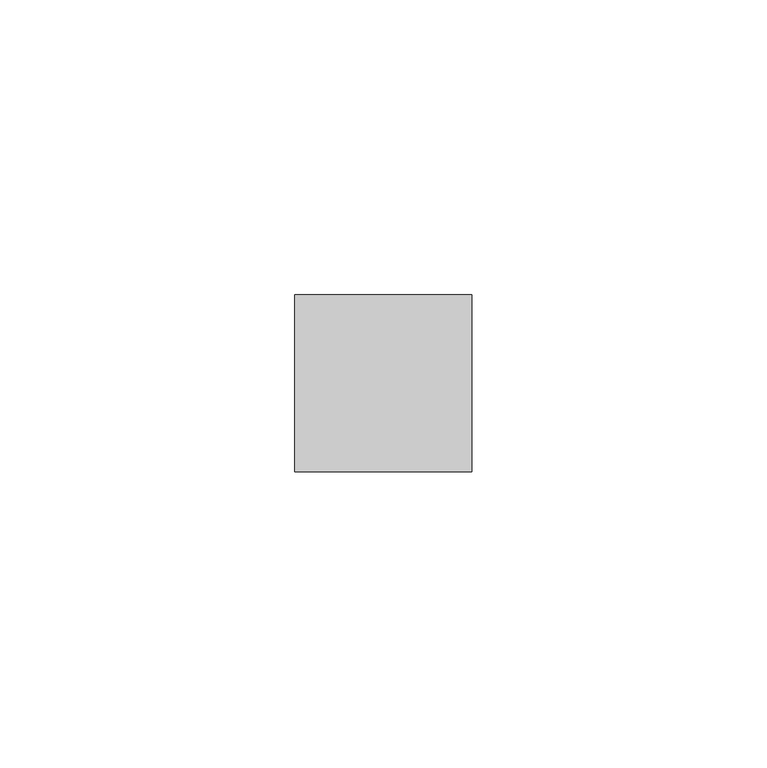
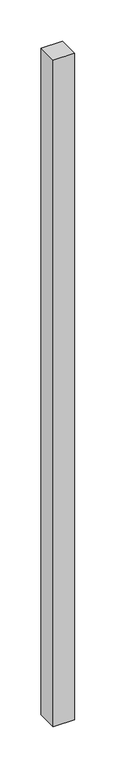
"""IFC4 building model written with IfcOpenShell, lengths in millimetres: member geometry."""

from ifc_helpers import new_model, si_unit, frame, origin, place, context, project, spatial, polyline, outline, extrude, source, transform, mapped, element, save


def member_9fbe298b(model_context):
    return source(origin(), model_context, "Body", "SweptSolid", [
        extrude(outline(polyline([(15.0, 15.0), (15.0, -15.0), (-15.0, -15.0), (-15.0, 15.0), (15.0, 15.0)])), frame((0.0, 0.0, -988.3333333), z_axis=(0.0, 0.0, 1.0), x_axis=(1.0, 0.0, 0.0)), (0.0, 0.0, 1.0), 988.3333333),
    ])


if __name__ == "__main__":
    model = new_model("IFC4")
    model_context = context("Model", 3, world=origin())
    ifc_project = project(units=[si_unit("LENGTHUNIT", "METRE", prefix="MILLI")], contexts=[model_context])
    site = spatial("IfcSite", under=ifc_project)
    building = spatial("IfcBuilding", under=site)
    placement = place(None, origin())
    member_shape = member_9fbe298b(model_context)
    element("IfcMember", 1, at=placement, inside=building, context=model_context, shape_type="MappedRepresentation", body=[
        mapped(member_shape, transform((0.0, 0.0, 0.0), x_axis=(1.0, 0.0, 0.0), y_axis=(0.0, 1.0, 0.0), z_axis=(0.0, 0.0, 1.0))),
    ])
    save(model, "model.ifc")
